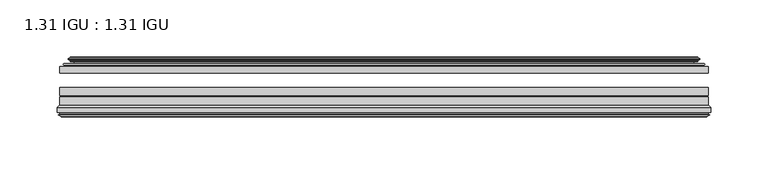
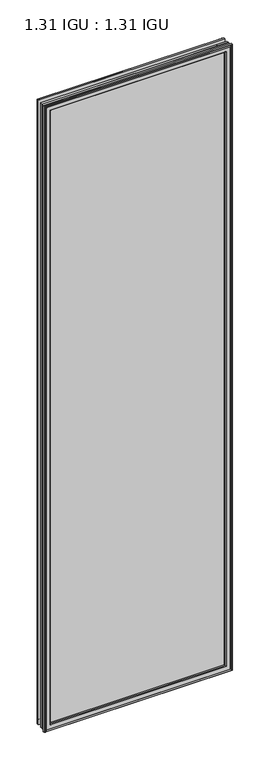
"""IFC4 building model written with IfcOpenShell, lengths in millimetres: plate geometry, 1.31 IGU : 1.31 IGU."""

from ifc_helpers import new_model, si_unit, frame, origin, place, context, project, spatial, polyline, ellipse_curve, outline, extrude, source, transform, mapped, element, save
from ifc_brep_helpers import plane_surface, cylinder_surface, revolved_surface, advanced_brep


def plate_1_31_igu_1_31_igu_118cedd7(model_context):
    return source(origin(), model_context, "Body", "SolidModel", [
        extrude(outline(polyline([(284.1575649, -44.8960875), (284.1575649, -50.4332875), (-284.1625, -50.4332875), (-284.1625, -44.8960875), (284.1575649, -44.8960875)])), frame((0.0, 0.0, -14.2875), z_axis=(0.0, 0.0, 1.0), x_axis=(1.0, 0.0, 0.0)), (0.0, 0.0, 1.0), 2009.67848),
        extrude(outline(polyline([(-284.1625, -78.7796875), (-284.1625, -71.7692875), (284.1575649, -71.7692875), (284.1575649, -78.7796875), (-284.1625, -78.7796875)])), frame((0.0, 0.0, -14.2875), z_axis=(0.0, 0.0, 1.0), x_axis=(1.0, 0.0, 0.0)), (0.0, 0.0, 1.0), 2009.67848),
        extrude(outline(polyline([(-284.1625, -70.2452875), (-284.1625, -63.1332875), (284.1575649, -63.1332875), (284.1575649, -70.2452875), (-284.1625, -70.2452875)])), frame((0.0, 0.0, -14.2875), z_axis=(0.0, 0.0, 1.0), x_axis=(1.0, 0.0, 0.0)), (0.0, 0.0, 1.0), 2009.67848),
        advanced_brep(
        [(-274.8171755, -37.7373382, 1986.0456555), (-269.8755426, -36.3108875, 1981.1040226), (-269.8755426, -36.3108875, -0.0005426), (-274.8171755, -37.7373382, -4.9421755), (-274.6520702, -36.9605789, 1985.8805502), (-274.6520702, -36.9605789, -4.7770702), (-275.2475559, -36.4771203, 1986.4760359), (-275.2475559, -36.4771203, -5.3725559), (-276.5121917, -37.766076, 1987.7406717), (-276.5121917, -37.766076, -6.6371917), (-276.5013749, -38.8797852, 1987.7298549), (-276.5013749, -38.8797852, -6.6263749), (-275.2198897, -40.1361433, 1986.4483697), (-275.2198897, -40.1361433, -5.3448897), (-274.6148829, -39.649943, 1985.8433629), (-274.6148829, -39.649943, -4.7398829), (-275.1688972, -39.0959287, 1986.3973772), (-275.1688972, -39.0959287, -5.2938972), (-272.8830887, -38.7029881, 1984.1115687), (-272.8830887, -38.7029881, -3.0080887), (-271.4240157, -40.2107282, 1982.6524957), (-271.4240157, -40.2107282, -1.5490157), (-271.7205976, -41.651269, 1982.9490776), (-271.7205976, -41.651269, -1.8455976), (-272.4918221, -42.2798875, 1983.7203021), (-272.4918221, -42.2798875, -2.6168221), (-280.7957984, -43.4871542, 1992.0242784), (-280.5205969, -42.2798875, 1991.7490769), (-280.5205969, -42.2798875, -10.6455969), (-280.7957984, -43.4871542, -10.9207984), (-277.3382297, -44.8960875, 1988.5667097), (-277.3382297, -44.8960875, -7.4632297), (-266.2406059, -44.023302, 1977.4690859), (-266.5959439, -44.8960875, 1977.8244239), (-266.5959439, -44.8960875, 3.2790561), (-266.2406059, -44.023302, 3.6343941), (-266.911804, -43.3681812, 1978.140284), (-266.911804, -43.3681812, 2.963196), (-268.5525946, -40.6686056, 1979.7810746), (-268.5525946, -40.6686056, 1.3224054), (269.8755426, -36.3108875, -0.0005426), (274.8171755, -37.7373382, -4.9421755), (274.6520702, -36.9605789, -4.7770702), (275.2475559, -36.4771203, -5.3725559), (276.5121917, -37.766076, -6.6371917), (276.5013749, -38.8797852, -6.6263749), (275.2198897, -40.1361433, -5.3448897), (274.6148829, -39.649943, -4.7398829), (275.1688972, -39.0959287, -5.2938972), (272.8830887, -38.7029881, -3.0080887), (271.4240157, -40.2107282, -1.5490157), (271.7205976, -41.651269, -1.8455976), (272.4918221, -42.2798875, -2.6168221), (280.5205969, -42.2798875, -10.6455969), (280.7957984, -43.4871542, -10.9207984), (277.3382297, -44.8960875, -7.4632297), (266.5959439, -44.8960875, 3.2790561), (266.2406059, -44.023302, 3.6343941), (266.911804, -43.3681812, 2.963196), (268.5525946, -40.6686056, 1.3224054), (269.8755426, -36.3108875, 1981.1040226), (274.8171755, -37.7373382, 1986.0456555), (274.6520702, -36.9605789, 1985.8805502), (275.2475559, -36.4771203, 1986.4760359), (276.5121917, -37.766076, 1987.7406717), (276.5013749, -38.8797852, 1987.7298549), (275.2198897, -40.1361433, 1986.4483697), (274.6148829, -39.649943, 1985.8433629), (275.1688972, -39.0959287, 1986.3973772), (272.8830887, -38.7029881, 1984.1115687), (271.4240157, -40.2107282, 1982.6524957), (271.7205976, -41.651269, 1982.9490776), (272.4918221, -42.2798875, 1983.7203021), (280.5205969, -42.2798875, 1991.7490769), (280.7957984, -43.4871542, 1992.0242784), (277.3382297, -44.8960875, 1988.5667097), (266.5959439, -44.8960875, 1977.8244239), (266.2406059, -44.023302, 1977.4690859), (266.911804, -43.3681812, 1978.140284), (268.5525946, -40.6686056, 1979.7810746)],
        [
            (0, 1),
            (1, 2),
            (2, 3),
            (3, 0),
            (4, 0),
            (3, 5),
            (5, 4),
            (6, 4, ellipse_curve(frame((-274.9725871, -36.746901, 1986.2010671), z_axis=(-0.7071067811865475, 0.0, -0.7071067811865475), x_axis=(-0.7071067811865474, 0.0, 0.7071067811865476)), 0.5447741, 0.3852135)),
            (5, 7, ellipse_curve(frame((-274.9725871, -36.746901, -5.0975871), z_axis=(-0.7071067811865475, 0.0, 0.7071067811865475), x_axis=(0.7071067811865474, 0.0, 0.7071067811865476)), 0.5447741, 0.3852135)),
            (7, 6),
            (8, 6),
            (7, 9),
            (9, 8),
            (10, 8, ellipse_curve(frame((-275.9501387, -38.3175243, 1987.1786187), z_axis=(-0.7071067811865475, 0.0, -0.7071067811865475), x_axis=(-0.7071067811865474, 0.0, 0.7071067811865476)), 1.1135518, 0.7874)),
            (9, 11, ellipse_curve(frame((-275.9501387, -38.3175243, -6.0751387), z_axis=(-0.7071067811865475, 0.0, 0.7071067811865475), x_axis=(0.7071067811865474, 0.0, 0.7071067811865476)), 1.1135518, 0.7874)),
            (11, 10),
            (12, 10),
            (11, 13),
            (13, 12),
            (14, 12, ellipse_curve(frame((-274.9462922, -39.8570738, 1986.1747722), z_axis=(-0.7071067811865475, 0.0, -0.7071067811865475), x_axis=(-0.7071067811865474, 0.0, 0.7071067811865476)), 0.552694, 0.3908137)),
            (13, 15, ellipse_curve(frame((-274.9462922, -39.8570738, -5.0712922), z_axis=(-0.7071067811865475, 0.0, 0.7071067811865475), x_axis=(0.7071067811865474, 0.0, 0.7071067811865476)), 0.552694, 0.3908137)),
            (15, 14),
            (16, 14),
            (15, 17),
            (17, 16),
            (18, 16),
            (17, 19),
            (19, 18),
            (20, 18, ellipse_curve(frame((-272.6679261, -39.954629, 1983.8964061), z_axis=(0.7071067811865475, 0.0, 0.7071067811865475), x_axis=(0.7071067811865474, 0.0, -0.7071067811865476)), 1.7960512, 1.27)),
            (19, 21, ellipse_curve(frame((-272.6679261, -39.954629, -2.7929261), z_axis=(0.7071067811865475, 0.0, -0.7071067811865475), x_axis=(-0.7071067811865474, 0.0, -0.7071067811865476)), 1.7960512, 1.27)),
            (21, 20),
            (22, 20),
            (21, 23),
            (23, 22),
            (24, 22, ellipse_curve(frame((-272.4918221, -41.4924875, 1983.7203021), z_axis=(0.7071067811865475, 0.0, 0.7071067811865475), x_axis=(0.7071067811865474, 0.0, -0.7071067811865476)), 1.1135518, 0.7874)),
            (23, 25, ellipse_curve(frame((-272.4918221, -41.4924875, -2.6168221), z_axis=(0.7071067811865475, 0.0, -0.7071067811865475), x_axis=(-0.7071067811865474, 0.0, -0.7071067811865476)), 1.1135518, 0.7874)),
            (25, 24),
            (26, 27, ellipse_curve(frame((-280.5205969, -42.9148875, 1991.7490769), z_axis=(-0.7071067811865475, 0.0, -0.7071067811865475), x_axis=(-0.7071067811865474, 0.0, 0.7071067811865476)), 0.8980256, 0.635)),
            (27, 28),
            (28, 29, ellipse_curve(frame((-280.5205969, -42.9148875, -10.6455969), z_axis=(-0.7071067811865475, 0.0, 0.7071067811865475), x_axis=(0.7071067811865474, 0.0, 0.7071067811865476)), 0.8980256, 0.635)),
            (29, 26),
            (30, 26),
            (29, 31),
            (31, 30),
            (32, 33, ellipse_curve(frame((-266.5959439, -44.3873602, 1977.8244239), z_axis=(-0.7071067811865475, 0.0, -0.7071067811865475), x_axis=(-0.7071067811865474, 0.0, 0.7071067811865476)), 0.719449, 0.5087273)),
            (33, 34),
            (34, 35, ellipse_curve(frame((-266.5959439, -44.3873602, 3.2790561), z_axis=(-0.7071067811865475, 0.0, 0.7071067811865475), x_axis=(0.7071067811865474, 0.0, 0.7071067811865476)), 0.719449, 0.5087273)),
            (35, 32),
            (36, 32),
            (35, 37),
            (37, 36),
            (38, 36, ellipse_curve(frame((-262.4764298, -38.823959, 1973.7049098), z_axis=(0.7071067811865475, 0.0, 0.7071067811865475), x_axis=(0.7071067811865474, 0.0, -0.7071067811865476)), 8.9802561, 6.35)),
            (37, 39, ellipse_curve(frame((-262.4764298, -38.823959, 7.3985702), z_axis=(0.7071067811865475, 0.0, -0.7071067811865475), x_axis=(-0.7071067811865474, 0.0, -0.7071067811865476)), 8.9802561, 6.35)),
            (39, 38),
            (1, 38),
            (39, 2),
            (2, 40),
            (40, 41),
            (41, 3),
            (41, 42),
            (42, 5),
            (42, 43, ellipse_curve(frame((274.9725871, -36.746901, -5.0975871), z_axis=(-0.7071067811865475, 0.0, -0.7071067811865475), x_axis=(-0.7071067811865476, 0.0, 0.7071067811865474)), 0.5447741, 0.3852135)),
            (43, 7),
            (43, 44),
            (44, 9),
            (44, 45, ellipse_curve(frame((275.9501387, -38.3175243, -6.0751387), z_axis=(-0.7071067811865475, 0.0, -0.7071067811865475), x_axis=(-0.7071067811865476, 0.0, 0.7071067811865474)), 1.1135518, 0.7874)),
            (45, 11),
            (45, 46),
            (46, 13),
            (46, 47, ellipse_curve(frame((274.9462922, -39.8570738, -5.0712922), z_axis=(-0.7071067811865475, 0.0, -0.7071067811865475), x_axis=(-0.7071067811865476, 0.0, 0.7071067811865474)), 0.552694, 0.3908137)),
            (47, 15),
            (47, 48),
            (48, 17),
            (48, 49),
            (49, 19),
            (49, 50, ellipse_curve(frame((272.6679261, -39.954629, -2.7929261), z_axis=(0.7071067811865475, 0.0, 0.7071067811865475), x_axis=(0.7071067811865476, 0.0, -0.7071067811865474)), 1.7960512, 1.27)),
            (50, 21),
            (50, 51),
            (51, 23),
            (51, 52, ellipse_curve(frame((272.4918221, -41.4924875, -2.6168221), z_axis=(0.7071067811865475, 0.0, 0.7071067811865475), x_axis=(0.7071067811865476, 0.0, -0.7071067811865474)), 1.1135518, 0.7874)),
            (52, 25),
            (28, 53),
            (53, 54, ellipse_curve(frame((280.5205969, -42.9148875, -10.6455969), z_axis=(-0.7071067811865475, 0.0, -0.7071067811865475), x_axis=(-0.7071067811865476, 0.0, 0.7071067811865474)), 0.8980256, 0.635)),
            (54, 29),
            (54, 55),
            (55, 31),
            (34, 56),
            (56, 57, ellipse_curve(frame((266.5959439, -44.3873602, 3.2790561), z_axis=(-0.7071067811865475, 0.0, -0.7071067811865475), x_axis=(-0.7071067811865476, 0.0, 0.7071067811865474)), 0.719449, 0.5087273)),
            (57, 35),
            (57, 58),
            (58, 37),
            (58, 59, ellipse_curve(frame((262.4764298, -38.823959, 7.3985702), z_axis=(0.7071067811865475, 0.0, 0.7071067811865475), x_axis=(0.7071067811865476, 0.0, -0.7071067811865474)), 8.9802561, 6.35)),
            (59, 39),
            (59, 40),
            (40, 60),
            (60, 61),
            (61, 41),
            (61, 62),
            (62, 42),
            (62, 63, ellipse_curve(frame((274.9725871, -36.746901, 1986.2010671), z_axis=(0.7071067811865475, 0.0, -0.7071067811865475), x_axis=(-0.7071067811865474, 0.0, -0.7071067811865476)), 0.5447741, 0.3852135)),
            (63, 43),
            (63, 64),
            (64, 44),
            (64, 65, ellipse_curve(frame((275.9501387, -38.3175243, 1987.1786187), z_axis=(0.7071067811865475, 0.0, -0.7071067811865475), x_axis=(-0.7071067811865474, 0.0, -0.7071067811865476)), 1.1135518, 0.7874)),
            (65, 45),
            (65, 66),
            (66, 46),
            (66, 67, ellipse_curve(frame((274.9462922, -39.8570738, 1986.1747722), z_axis=(0.7071067811865475, 0.0, -0.7071067811865475), x_axis=(-0.7071067811865474, 0.0, -0.7071067811865476)), 0.552694, 0.3908137)),
            (67, 47),
            (67, 68),
            (68, 48),
            (68, 69),
            (69, 49),
            (69, 70, ellipse_curve(frame((272.6679261, -39.954629, 1983.8964061), z_axis=(-0.7071067811865475, 0.0, 0.7071067811865475), x_axis=(0.7071067811865474, 0.0, 0.7071067811865476)), 1.7960512, 1.27)),
            (70, 50),
            (70, 71),
            (71, 51),
            (71, 72, ellipse_curve(frame((272.4918221, -41.4924875, 1983.7203021), z_axis=(-0.7071067811865475, 0.0, 0.7071067811865475), x_axis=(0.7071067811865474, 0.0, 0.7071067811865476)), 1.1135518, 0.7874)),
            (72, 52),
            (53, 73),
            (73, 74, ellipse_curve(frame((280.5205969, -42.9148875, 1991.7490769), z_axis=(0.7071067811865475, 0.0, -0.7071067811865475), x_axis=(-0.7071067811865474, 0.0, -0.7071067811865476)), 0.8980256, 0.635)),
            (74, 54),
            (74, 75),
            (75, 55),
            (56, 76),
            (76, 77, ellipse_curve(frame((266.5959439, -44.3873602, 1977.8244239), z_axis=(0.7071067811865475, 0.0, -0.7071067811865475), x_axis=(-0.7071067811865474, 0.0, -0.7071067811865476)), 0.719449, 0.5087273)),
            (77, 57),
            (77, 78),
            (78, 58),
            (78, 79, ellipse_curve(frame((262.4764298, -38.823959, 1973.7049098), z_axis=(-0.7071067811865475, 0.0, 0.7071067811865475), x_axis=(0.7071067811865474, 0.0, 0.7071067811865476)), 8.9802561, 6.35)),
            (79, 59),
            (79, 60),
            (60, 1),
            (0, 61),
            (4, 62),
            (6, 63),
            (8, 64),
            (10, 65),
            (12, 66),
            (14, 67),
            (16, 68),
            (18, 69),
            (20, 70),
            (22, 71),
            (24, 72),
            (27, 73),
            (26, 74),
            (30, 75),
            (33, 76),
            (32, 77),
            (36, 78),
            (38, 79),
        ],
        [
            plane_surface(frame((-269.8755426, -36.3108875, 1981.1040226), z_axis=(-0.2773364928492854, 0.9607728502273877, 0.0), x_axis=(0.0, 0.0, -1.0))),
            plane_surface(frame((-274.8171755, -37.7373382, 1986.0456555), z_axis=(0.9781476007338358, -0.20791169081761773, 0.0), x_axis=(0.0, 0.0, -1.0))),
            cylinder_surface(frame((-274.9725871, -36.746901, 2012.85348), z_axis=(0.0, 0.0, 1.0), x_axis=(-1.0, 0.0, 0.0)), 0.3852135),
            plane_surface(frame((-275.2475559, -36.4771203, 1986.4760359), z_axis=(-0.7138087599382162, 0.7003406701280929, 0.0), x_axis=(0.0, 0.0, -1.0))),
            cylinder_surface(frame((-275.9501387, -38.3175243, 2012.85348), z_axis=(0.0, 0.0, 1.0), x_axis=(-1.0, 0.0, 0.0)), 0.7874),
            plane_surface(frame((-276.5013749, -38.8797852, 1987.7298549), z_axis=(-0.7000714109283733, -0.7140728391423082, 0.0), x_axis=(0.0, 0.0, -1.0))),
            cylinder_surface(frame((-274.9462922, -39.8570738, 2012.85348), z_axis=(0.0, 0.0, 1.0), x_axis=(-1.0, 0.0, 0.0)), 0.3908137),
            plane_surface(frame((-274.6148829, -39.649943, 1985.8433629), z_axis=(0.7071067811861126, 0.7071067811869826, 0.0), x_axis=(0.0, 0.0, -1.0))),
            plane_surface(frame((-275.1688972, -39.0959287, 1986.3973772), z_axis=(0.1694194067101148, -0.9855440449974789, 0.0), x_axis=(0.0, 0.0, -1.0))),
            revolved_surface(polyline([(-273.93792609999997, -39.954629, -4.062926082878221), (-273.93792609999997, -39.954629, 1985.1664060828782)]), (-272.6679261, -39.954629, 2012.85348), (0.0, 0.0, -1.0)),
            plane_surface(frame((-271.4240157, -40.2107282, 1982.6524957), z_axis=(-0.9794570432566897, 0.20165292067030202, 0.0), x_axis=(0.0, 0.0, -1.0))),
            revolved_surface(polyline([(-273.27922209999997, -41.4924875, -3.4042221289826102), (-273.27922209999997, -41.4924875, 1984.5077021289826)]), (-272.4918221, -41.4924875, 2012.85348), (0.0, 0.0, -1.0)),
            cylinder_surface(frame((-280.5205969, -42.9148875, 2012.85348), z_axis=(0.0, 0.0, 1.0), x_axis=(-1.0, 0.0, 0.0)), 0.635),
            plane_surface(frame((-280.7957984, -43.4871542, 1992.0242784), z_axis=(-0.37736447542757934, -0.9260648209954139, 0.0), x_axis=(0.0, 0.0, -1.0))),
            cylinder_surface(frame((-266.5959439, -44.3873602, 2012.85348), z_axis=(0.0, 0.0, 1.0), x_axis=(-1.0, 0.0, 0.0)), 0.5087273),
            plane_surface(frame((-266.2406059, -44.023302, 1977.4690859), z_axis=(0.698484125849927, 0.7156255486884628, 0.0), x_axis=(0.0, 0.0, -1.0))),
            revolved_surface(polyline([(-268.8264298, -38.823959, 1.0485702148980636), (-268.8264298, -38.823959, 1980.054909785102)]), (-262.4764298, -38.823959, 2012.85348), (0.0, 0.0, -1.0)),
            plane_surface(frame((-268.5525946, -40.6686056, 1979.7810746), z_axis=(0.956876347351701, 0.2904955350411895, 0.0), x_axis=(0.0, 0.0, -1.0))),
            plane_surface(frame((-269.8755426, -36.3108875, -0.0005426), z_axis=(0.0, 0.9607728502273868, -0.2773364928492885), x_axis=(1.0, 0.0, 0.0))),
            plane_surface(frame((-274.8171755, -37.7373382, -4.9421755), z_axis=(0.0, -0.20791169081761454, 0.9781476007338364), x_axis=(1.0, 0.0, 0.0))),
            cylinder_surface(frame((-301.625, -36.746901, -5.0975871), z_axis=(-1.0, 0.0, 0.0), x_axis=(0.0, 0.0, -1.0)), 0.3852135),
            plane_surface(frame((-275.2475559, -36.4771203, -5.3725559), z_axis=(0.0, 0.7003406701280904, -0.7138087599382185), x_axis=(1.0, 0.0, 0.0))),
            cylinder_surface(frame((-301.625, -38.3175243, -6.0751387), z_axis=(-1.0, 0.0, 0.0), x_axis=(0.0, 0.0, -1.0)), 0.7874),
            plane_surface(frame((-276.5013749, -38.8797852, -6.6263749), z_axis=(0.0, -0.7140728391423106, -0.700071410928371), x_axis=(1.0, 0.0, 0.0))),
            cylinder_surface(frame((-301.625, -39.8570738, -5.0712922), z_axis=(-1.0, 0.0, 0.0), x_axis=(0.0, 0.0, -1.0)), 0.3908137),
            plane_surface(frame((-274.6148829, -39.649943, -4.7398829), z_axis=(0.0, 0.7071067811869849, 0.7071067811861103), x_axis=(1.0, 0.0, 0.0))),
            plane_surface(frame((-275.1688972, -39.0959287, -5.2938972), z_axis=(0.0, -0.9855440449974784, 0.16941940671011801), x_axis=(1.0, 0.0, 0.0))),
            revolved_surface(polyline([(273.9379260828782, -39.954629, -4.0629261), (-273.9379260828782, -39.954629, -4.0629261)]), (-301.625, -39.954629, -2.7929261), (1.0, 0.0, 0.0)),
            plane_surface(frame((-271.4240157, -40.2107282, -1.5490157), z_axis=(0.0, 0.20165292067029883, -0.9794570432566904), x_axis=(1.0, 0.0, 0.0))),
            revolved_surface(polyline([(273.2792221289825, -41.4924875, -3.4042220999999997), (-273.27922212898244, -41.4924875, -3.4042220999999997)]), (-301.625, -41.4924875, -2.6168221), (1.0, 0.0, 0.0)),
            cylinder_surface(frame((-301.625, -42.9148875, -10.6455969), z_axis=(-1.0, 0.0, 0.0), x_axis=(0.0, 0.0, -1.0)), 0.635),
            plane_surface(frame((-280.7957984, -43.4871542, -10.9207984), z_axis=(0.0, -0.9260648209954151, -0.37736447542757634), x_axis=(1.0, 0.0, 0.0))),
            cylinder_surface(frame((-301.625, -44.3873602, 3.2790561), z_axis=(-1.0, 0.0, 0.0), x_axis=(0.0, 0.0, -1.0)), 0.5087273),
            plane_surface(frame((-266.2406059, -44.023302, 3.6343941), z_axis=(0.0, 0.7156255486884651, 0.6984841258499247), x_axis=(1.0, 0.0, 0.0))),
            revolved_surface(polyline([(268.8264297851018, -38.823959, 1.0485702000000003), (-268.8264297851019, -38.823959, 1.0485702000000003)]), (-301.625, -38.823959, 7.3985702), (1.0, 0.0, 0.0)),
            plane_surface(frame((-268.5525946, -40.6686056, 1.3224054), z_axis=(0.0, 0.29049553504119263, 0.9568763473517), x_axis=(1.0, 0.0, 0.0))),
            plane_surface(frame((269.8755426, -36.3108875, -0.0005426), z_axis=(0.2773364928492916, 0.9607728502273859, 0.0), x_axis=(0.0, 0.0, 1.0))),
            plane_surface(frame((274.8171755, -37.7373382, -4.9421755), z_axis=(-0.9781476007338371, -0.20791169081761135, 0.0), x_axis=(0.0, 0.0, 1.0))),
            cylinder_surface(frame((274.9725871, -36.746901, -31.75), z_axis=(0.0, 0.0, -1.0), x_axis=(1.0, 0.0, 0.0)), 0.3852135),
            plane_surface(frame((275.2475559, -36.4771203, -5.3725559), z_axis=(0.7138087599382208, 0.7003406701280881, 0.0), x_axis=(0.0, 0.0, 1.0))),
            cylinder_surface(frame((275.9501387, -38.3175243, -31.75), z_axis=(0.0, 0.0, -1.0), x_axis=(1.0, 0.0, 0.0)), 0.7874),
            plane_surface(frame((276.5013749, -38.8797852, -6.6263749), z_axis=(0.7000714109283687, -0.7140728391423129, 0.0), x_axis=(0.0, 0.0, 1.0))),
            cylinder_surface(frame((274.9462922, -39.8570738, -31.75), z_axis=(0.0, 0.0, -1.0), x_axis=(1.0, 0.0, 0.0)), 0.3908137),
            plane_surface(frame((274.6148829, -39.649943, -4.7398829), z_axis=(-0.7071067811861079, 0.7071067811869872, 0.0), x_axis=(0.0, 0.0, 1.0))),
            plane_surface(frame((275.1688972, -39.0959287, -5.2938972), z_axis=(-0.16941940671012123, -0.9855440449974778, 0.0), x_axis=(0.0, 0.0, 1.0))),
            revolved_surface(polyline([(273.93792609999997, -39.954629, 1985.1664060828782), (273.93792609999997, -39.954629, -4.062926082878235)]), (272.6679261, -39.954629, -31.75), (0.0, 0.0, 1.0)),
            plane_surface(frame((271.4240157, -40.2107282, -1.5490157), z_axis=(0.979457043256691, 0.20165292067029564, 0.0), x_axis=(0.0, 0.0, 1.0))),
            revolved_surface(polyline([(273.27922209999997, -41.4924875, 1984.5077021289826), (273.27922209999997, -41.4924875, -3.404222128982486)]), (272.4918221, -41.4924875, -31.75), (0.0, 0.0, 1.0)),
            cylinder_surface(frame((280.5205969, -42.9148875, -31.75), z_axis=(0.0, 0.0, -1.0), x_axis=(1.0, 0.0, 0.0)), 0.635),
            plane_surface(frame((280.7957984, -43.4871542, -10.9207984), z_axis=(0.37736447542757334, -0.9260648209954163, 0.0), x_axis=(0.0, 0.0, 1.0))),
            cylinder_surface(frame((266.5959439, -44.3873602, -31.75), z_axis=(0.0, 0.0, -1.0), x_axis=(1.0, 0.0, 0.0)), 0.5087273),
            plane_surface(frame((266.2406059, -44.023302, 3.6343941), z_axis=(-0.6984841258499224, 0.7156255486884673, 0.0), x_axis=(0.0, 0.0, 1.0))),
            revolved_surface(polyline([(268.8264298, -38.823959, 1980.054909785102), (268.8264298, -38.823959, 1.0485702148981417)]), (262.4764298, -38.823959, -31.75), (0.0, 0.0, 1.0)),
            plane_surface(frame((268.5525946, -40.6686056, 1.3224054), z_axis=(-0.9568763473516991, 0.2904955350411958, 0.0), x_axis=(0.0, 0.0, 1.0))),
            plane_surface(frame((269.8755426, -36.3108875, 1981.1040226), z_axis=(0.0, 0.9607728502273868, 0.2773364928492885), x_axis=(-1.0, 0.0, 0.0))),
            plane_surface(frame((274.8171755, -37.7373382, 1986.0456555), z_axis=(0.0, -0.20791169081761454, -0.9781476007338364), x_axis=(-1.0, 0.0, 0.0))),
            cylinder_surface(frame((301.625, -36.746901, 1986.2010671), z_axis=(1.0, 0.0, 0.0), x_axis=(0.0, 0.0, 1.0)), 0.3852135),
            plane_surface(frame((275.2475559, -36.4771203, 1986.4760359), z_axis=(0.0, 0.7003406701280904, 0.7138087599382185), x_axis=(-1.0, 0.0, 0.0))),
            cylinder_surface(frame((301.625, -38.3175243, 1987.1786187), z_axis=(1.0, 0.0, 0.0), x_axis=(0.0, 0.0, 1.0)), 0.7874),
            plane_surface(frame((276.5013749, -38.8797852, 1987.7298549), z_axis=(0.0, -0.7140728391423106, 0.700071410928371), x_axis=(-1.0, 0.0, 0.0))),
            cylinder_surface(frame((301.625, -39.8570738, 1986.1747722), z_axis=(1.0, 0.0, 0.0), x_axis=(0.0, 0.0, 1.0)), 0.3908137),
            plane_surface(frame((274.6148829, -39.649943, 1985.8433629), z_axis=(0.0, 0.7071067811869849, -0.7071067811861103), x_axis=(-1.0, 0.0, 0.0))),
            plane_surface(frame((275.1688972, -39.0959287, 1986.3973772), z_axis=(0.0, -0.9855440449974784, -0.16941940671011801), x_axis=(-1.0, 0.0, 0.0))),
            revolved_surface(polyline([(-273.9379260828782, -39.954629, 1985.1664061), (273.9379260828782, -39.954629, 1985.1664061)]), (301.625, -39.954629, 1983.8964061), (-1.0, 0.0, 0.0)),
            plane_surface(frame((271.4240157, -40.2107282, 1982.6524957), z_axis=(0.0, 0.20165292067029883, 0.9794570432566904), x_axis=(-1.0, 0.0, 0.0))),
            revolved_surface(polyline([(-273.2792221289825, -41.4924875, 1984.5077021), (273.27922212898244, -41.4924875, 1984.5077021)]), (301.625, -41.4924875, 1983.7203021), (-1.0, 0.0, 0.0)),
            plane_surface(frame((272.4918221, -42.2798875, 1983.7203021), z_axis=(0.0, 1.0, 0.0), x_axis=(-1.0, 0.0, 0.0))),
            cylinder_surface(frame((301.625, -42.9148875, 1991.7490769), z_axis=(1.0, 0.0, 0.0), x_axis=(0.0, 0.0, 1.0)), 0.635),
            plane_surface(frame((280.7957984, -43.4871542, 1992.0242784), z_axis=(0.0, -0.9260648209954151, 0.37736447542757634), x_axis=(-1.0, 0.0, 0.0))),
            plane_surface(frame((277.3382297, -44.8960875, 1988.5667097), z_axis=(0.0, -1.0, 0.0), x_axis=(-1.0, 0.0, 0.0))),
            cylinder_surface(frame((301.625, -44.3873602, 1977.8244239), z_axis=(1.0, 0.0, 0.0), x_axis=(0.0, 0.0, 1.0)), 0.5087273),
            plane_surface(frame((266.2406059, -44.023302, 1977.4690859), z_axis=(0.0, 0.7156255486884651, -0.6984841258499247), x_axis=(-1.0, 0.0, 0.0))),
            revolved_surface(polyline([(-268.8264297851018, -38.823959, 1980.0549098), (268.8264297851019, -38.823959, 1980.0549098)]), (301.625, -38.823959, 1973.7049098), (-1.0, 0.0, 0.0)),
            plane_surface(frame((268.5525946, -40.6686056, 1979.7810746), z_axis=(0.0, 0.2904955350411927, -0.9568763473517001), x_axis=(-1.0, 0.0, 0.0))),
        ],
        [
            (0, [[1, 2, 3, 4]]),
            (1, [[5, -4, 6, 7]]),
            (2, [[8, -7, 9, 10]]),
            (3, [[11, -10, 12, 13]]),
            (4, [[14, -13, 15, 16]]),
            (5, [[17, -16, 18, 19]]),
            (6, [[20, -19, 21, 22]]),
            (7, [[23, -22, 24, 25]]),
            (8, [[26, -25, 27, 28]]),
            (9, [[29, -28, 30, 31]]),
            (10, [[32, -31, 33, 34]]),
            (11, [[35, -34, 36, 37]]),
            (12, [[38, 39, 40, 41]]),
            (13, [[42, -41, 43, 44]]),
            (14, [[45, 46, 47, 48]]),
            (15, [[49, -48, 50, 51]]),
            (16, [[52, -51, 53, 54]]),
            (17, [[55, -54, 56, -2]]),
            (18, [[-3, 57, 58, 59]]),
            (19, [[-6, -59, 60, 61]]),
            (20, [[-9, -61, 62, 63]]),
            (21, [[-12, -63, 64, 65]]),
            (22, [[-15, -65, 66, 67]]),
            (23, [[-18, -67, 68, 69]]),
            (24, [[-21, -69, 70, 71]]),
            (25, [[-24, -71, 72, 73]]),
            (26, [[-27, -73, 74, 75]]),
            (27, [[-30, -75, 76, 77]]),
            (28, [[-33, -77, 78, 79]]),
            (29, [[-36, -79, 80, 81]]),
            (30, [[-40, 82, 83, 84]]),
            (31, [[-43, -84, 85, 86]]),
            (32, [[-47, 87, 88, 89]]),
            (33, [[-50, -89, 90, 91]]),
            (34, [[-53, -91, 92, 93]]),
            (35, [[-56, -93, 94, -57]]),
            (36, [[-58, 95, 96, 97]]),
            (37, [[-60, -97, 98, 99]]),
            (38, [[-62, -99, 100, 101]]),
            (39, [[-64, -101, 102, 103]]),
            (40, [[-66, -103, 104, 105]]),
            (41, [[-68, -105, 106, 107]]),
            (42, [[-70, -107, 108, 109]]),
            (43, [[-72, -109, 110, 111]]),
            (44, [[-74, -111, 112, 113]]),
            (45, [[-76, -113, 114, 115]]),
            (46, [[-78, -115, 116, 117]]),
            (47, [[-80, -117, 118, 119]]),
            (48, [[-83, 120, 121, 122]]),
            (49, [[-85, -122, 123, 124]]),
            (50, [[-88, 125, 126, 127]]),
            (51, [[-90, -127, 128, 129]]),
            (52, [[-92, -129, 130, 131]]),
            (53, [[-94, -131, 132, -95]]),
            (54, [[-96, 133, -1, 134]]),
            (55, [[-98, -134, -5, 135]]),
            (56, [[-100, -135, -8, 136]]),
            (57, [[-102, -136, -11, 137]]),
            (58, [[-104, -137, -14, 138]]),
            (59, [[-106, -138, -17, 139]]),
            (60, [[-108, -139, -20, 140]]),
            (61, [[-110, -140, -23, 141]]),
            (62, [[-112, -141, -26, 142]]),
            (63, [[-114, -142, -29, 143]]),
            (64, [[-116, -143, -32, 144]]),
            (65, [[-118, -144, -35, 145]]),
            (66, [[146, -120, -82, -39], [-81, -119, -145, -37]]),
            (67, [[-121, -146, -38, 147]]),
            (68, [[-123, -147, -42, 148]]),
            (69, [[-86, -124, -148, -44], [149, -125, -87, -46]]),
            (70, [[-126, -149, -45, 150]]),
            (71, [[-128, -150, -49, 151]]),
            (72, [[-130, -151, -52, 152]]),
            (73, [[-132, -152, -55, -133]]),
        ],
    ),
        advanced_brep(
        [(-267.1874494, -83.3389875, 1978.4159294), (-268.9625155, -85.1296875, 1980.1909955), (-268.9625155, -85.1296875, 0.9124845), (-267.1874494, -83.3389875, 2.6875506), (-266.1642401, -78.7796875, 1977.3927201), (-266.1642401, -78.7796875, 3.7107599), (-286.7449491, -80.9740477, 1997.9734291), (-284.5505889, -78.7796875, 1995.7790689), (-284.5505889, -78.7796875, -14.6755889), (-286.7449491, -80.9740477, -16.8699491), (-286.7449491, -85.1296875, 1997.9734291), (-286.7449491, -85.1296875, -16.8699491), (-284.2198889, -86.3747112, 1995.4483689), (-284.9711159, -85.1296875, 1996.1995959), (-284.9711159, -85.1296875, -15.0961159), (-284.2198889, -86.3747112, -14.3448889), (-283.9103598, -87.6502863, 1995.1388398), (-283.9103598, -87.6502863, -14.0353598), (-284.9284732, -87.2076396, 1996.1569532), (-284.9284732, -87.2076396, -15.0534732), (-283.2414838, -88.8840626, 1994.4699638), (-285.7231832, -87.2076396, 1996.9516632), (-285.7231832, -87.2076396, -15.8481832), (-283.2414838, -88.8840626, -13.3664838), (-281.0896584, -86.9401656, 1992.3181384), (-281.0896584, -86.9401656, -11.2146584), (-282.7970126, -87.5528811, 1994.0254926), (-281.8712314, -86.9401656, 1993.0997114), (-281.8712314, -86.9401656, -11.9962314), (-282.7970126, -87.5528811, -12.9220126), (-282.7136873, -86.2429356, 1993.9421673), (-282.7136873, -86.2429356, -12.8386873), (-282.1154492, -85.1296875, 1993.3439292), (-282.1154492, -85.1296875, -12.2404492), (268.9625155, -85.1296875, 0.9124845), (267.1874494, -83.3389875, 2.6875506), (266.1642401, -78.7796875, 3.7107599), (284.5505889, -78.7796875, -14.6755889), (286.7449491, -80.9740477, -16.8699491), (286.7449491, -85.1296875, -16.8699491), (284.9711159, -85.1296875, -15.0961159), (284.2198889, -86.3747112, -14.3448889), (283.9103598, -87.6502863, -14.0353598), (284.9284732, -87.2076396, -15.0534732), (285.7231832, -87.2076396, -15.8481832), (283.2414838, -88.8840626, -13.3664838), (281.0896584, -86.9401656, -11.2146584), (281.8712314, -86.9401656, -11.9962314), (282.7970126, -87.5528811, -12.9220126), (282.7136873, -86.2429356, -12.8386873), (282.1154492, -85.1296875, -12.2404492), (268.9625155, -85.1296875, 1980.1909955), (267.1874494, -83.3389875, 1978.4159294), (266.1642401, -78.7796875, 1977.3927201), (284.5505889, -78.7796875, 1995.7790689), (286.7449491, -80.9740477, 1997.9734291), (286.7449491, -85.1296875, 1997.9734291), (284.9711159, -85.1296875, 1996.1995959), (284.2198889, -86.3747112, 1995.4483689), (283.9103598, -87.6502863, 1995.1388398), (284.9284732, -87.2076396, 1996.1569532), (285.7231832, -87.2076396, 1996.9516632), (283.2414838, -88.8840626, 1994.4699638), (281.0896584, -86.9401656, 1992.3181384), (281.8712314, -86.9401656, 1993.0997114), (282.7970126, -87.5528811, 1994.0254926), (282.7136873, -86.2429356, 1993.9421673), (282.1154492, -85.1296875, 1993.3439292)],
        [
            (0, 1, ellipse_curve(frame((-269.2139505, -83.1053133, 1980.4424305), z_axis=(-0.7071067811865475, 0.0, -0.7071067811865475), x_axis=(-0.7071067811865474, 0.0, 0.7071067811865476)), 2.8848953, 2.039929)),
            (1, 2),
            (2, 3, ellipse_curve(frame((-269.2139505, -83.1053133, 0.6610495), z_axis=(-0.7071067811865475, 0.0, 0.7071067811865475), x_axis=(0.7071067811865474, 0.0, 0.7071067811865476)), 2.8848953, 2.039929)),
            (3, 0),
            (4, 0),
            (3, 5),
            (5, 4),
            (6, 7),
            (7, 8),
            (8, 9),
            (9, 6),
            (10, 6),
            (9, 11),
            (11, 10),
            (12, 13),
            (13, 14),
            (14, 15),
            (15, 12),
            (16, 12),
            (15, 17),
            (17, 16),
            (18, 16),
            (17, 19),
            (19, 18),
            (20, 21),
            (21, 22),
            (22, 23),
            (23, 20),
            (24, 20),
            (23, 25),
            (25, 24),
            (26, 27),
            (27, 28),
            (28, 29),
            (29, 26),
            (30, 26),
            (29, 31),
            (31, 30),
            (32, 30),
            (31, 33),
            (33, 32),
            (2, 34),
            (34, 35, ellipse_curve(frame((269.2139505, -83.1053133, 0.6610495), z_axis=(-0.7071067811865475, 0.0, -0.7071067811865475), x_axis=(-0.7071067811865476, 0.0, 0.7071067811865474)), 2.8848953, 2.039929)),
            (35, 3),
            (35, 36),
            (36, 5),
            (8, 37),
            (37, 38),
            (38, 9),
            (38, 39),
            (39, 11),
            (14, 40),
            (40, 41),
            (41, 15),
            (41, 42),
            (42, 17),
            (42, 43),
            (43, 19),
            (22, 44),
            (44, 45),
            (45, 23),
            (45, 46),
            (46, 25),
            (28, 47),
            (47, 48),
            (48, 29),
            (48, 49),
            (49, 31),
            (49, 50),
            (50, 33),
            (34, 51),
            (51, 52, ellipse_curve(frame((269.2139505, -83.1053133, 1980.4424305), z_axis=(0.7071067811865475, 0.0, -0.7071067811865475), x_axis=(-0.7071067811865474, 0.0, -0.7071067811865476)), 2.8848953, 2.039929)),
            (52, 35),
            (52, 53),
            (53, 36),
            (37, 54),
            (54, 55),
            (55, 38),
            (55, 56),
            (56, 39),
            (40, 57),
            (57, 58),
            (58, 41),
            (58, 59),
            (59, 42),
            (59, 60),
            (60, 43),
            (44, 61),
            (61, 62),
            (62, 45),
            (62, 63),
            (63, 46),
            (47, 64),
            (64, 65),
            (65, 48),
            (65, 66),
            (66, 49),
            (66, 67),
            (67, 50),
            (51, 1),
            (0, 52),
            (4, 53),
            (7, 54),
            (6, 55),
            (10, 56),
            (13, 57),
            (12, 58),
            (16, 59),
            (18, 60),
            (21, 61),
            (20, 62),
            (24, 63),
            (27, 64),
            (26, 65),
            (30, 66),
            (32, 67),
        ],
        [
            cylinder_surface(frame((-269.2139505, -83.1053133, 2012.85348), z_axis=(0.0, 0.0, 1.0), x_axis=(-1.0, 0.0, 0.0)), 2.039929),
            plane_surface(frame((-267.1874494, -83.3389875, 1978.4159294), z_axis=(0.9757302952562701, -0.2189757770145185, 0.0), x_axis=(0.0, 0.0, -1.0))),
            plane_surface(frame((-284.5505889, -78.7796875, 1995.7790689), z_axis=(-0.7071067811871722, 0.7071067811859229, 0.0), x_axis=(0.0, 0.0, -1.0))),
            plane_surface(frame((-286.7449491, -80.9740477, 1997.9734291), z_axis=(-1.0, 0.0, 0.0), x_axis=(0.0, 0.0, -1.0))),
            plane_surface(frame((-284.9711159, -85.1296875, 1996.1995959), z_axis=(-0.8562121193263807, -0.516624434883434, 0.0), x_axis=(0.0, 0.0, -1.0))),
            plane_surface(frame((-284.2198889, -86.3747112, 1995.4483689), z_axis=(-0.9717979666139347, -0.23581499546259121, 0.0), x_axis=(0.0, 0.0, -1.0))),
            plane_surface(frame((-283.9103598, -87.6502863, 1995.1388398), z_axis=(0.39871754517761615, 0.9170737806564615, 0.0), x_axis=(0.0, 0.0, -1.0))),
            plane_surface(frame((-285.7231832, -87.2076396, 1996.9516632), z_axis=(-0.5597655002239059, -0.8286510633306884, 0.0), x_axis=(0.0, 0.0, -1.0))),
            plane_surface(frame((-283.2414838, -88.8840626, 1994.4699638), z_axis=(0.670345652676111, -0.7420489916024674, 0.0), x_axis=(0.0, 0.0, -1.0))),
            plane_surface(frame((-281.8712314, -86.9401656, 1993.0997114), z_axis=(-0.5519083205498945, 0.8339047941508642, 0.0), x_axis=(0.0, 0.0, -1.0))),
            plane_surface(frame((-282.7970126, -87.5528811, 1994.0254926), z_axis=(0.9979830161114805, -0.06348148984572215, 0.0), x_axis=(0.0, 0.0, -1.0))),
            plane_surface(frame((-282.7136873, -86.2429356, 1993.9421673), z_axis=(0.8808682216207323, -0.47336157019632297, 0.0), x_axis=(0.0, 0.0, -1.0))),
            cylinder_surface(frame((-301.625, -83.1053133, 0.6610495), z_axis=(-1.0, 0.0, 0.0), x_axis=(0.0, 0.0, -1.0)), 2.039929),
            plane_surface(frame((-267.1874494, -83.3389875, 2.6875506), z_axis=(0.0, -0.21897577701451534, 0.9757302952562708), x_axis=(1.0, 0.0, 0.0))),
            plane_surface(frame((-284.5505889, -78.7796875, -14.6755889), z_axis=(0.0, 0.7071067811859205, -0.7071067811871745), x_axis=(1.0, 0.0, 0.0))),
            plane_surface(frame((-286.7449491, -80.9740477, -16.8699491), z_axis=(0.0, 0.0, -1.0), x_axis=(1.0, 0.0, 0.0))),
            plane_surface(frame((-284.9711159, -85.1296875, -15.0961159), z_axis=(0.0, -0.5166244348834368, -0.8562121193263791), x_axis=(1.0, 0.0, 0.0))),
            plane_surface(frame((-284.2198889, -86.3747112, -14.3448889), z_axis=(0.0, -0.23581499546259438, -0.9717979666139339), x_axis=(1.0, 0.0, 0.0))),
            plane_surface(frame((-283.9103598, -87.6502863, -14.0353598), z_axis=(0.0, 0.9170737806564628, 0.39871754517761315), x_axis=(1.0, 0.0, 0.0))),
            plane_surface(frame((-285.7231832, -87.2076396, -15.8481832), z_axis=(0.0, -0.8286510633306902, -0.5597655002239033), x_axis=(1.0, 0.0, 0.0))),
            plane_surface(frame((-283.2414838, -88.8840626, -13.3664838), z_axis=(0.0, -0.7420489916024652, 0.6703456526761135), x_axis=(1.0, 0.0, 0.0))),
            plane_surface(frame((-281.8712314, -86.9401656, -11.9962314), z_axis=(0.0, 0.8339047941508624, -0.5519083205498971), x_axis=(1.0, 0.0, 0.0))),
            plane_surface(frame((-282.7970126, -87.5528811, -12.9220126), z_axis=(0.0, -0.0634814898457189, 0.9979830161114808), x_axis=(1.0, 0.0, 0.0))),
            plane_surface(frame((-282.7136873, -86.2429356, -12.8386873), z_axis=(0.0, -0.47336157019632014, 0.880868221620734), x_axis=(1.0, 0.0, 0.0))),
            cylinder_surface(frame((269.2139505, -83.1053133, -31.75), z_axis=(0.0, 0.0, -1.0), x_axis=(1.0, 0.0, 0.0)), 2.039929),
            plane_surface(frame((267.1874494, -83.3389875, 2.6875506), z_axis=(-0.9757302952562714, -0.21897577701451218, 0.0), x_axis=(0.0, 0.0, 1.0))),
            plane_surface(frame((284.5505889, -78.7796875, -14.6755889), z_axis=(0.7071067811871768, 0.7071067811859182, 0.0), x_axis=(0.0, 0.0, 1.0))),
            plane_surface(frame((286.7449491, -80.9740477, -16.8699491), z_axis=(1.0, 0.0, 0.0), x_axis=(0.0, 0.0, 1.0))),
            plane_surface(frame((284.9711159, -85.1296875, -15.0961159), z_axis=(0.8562121193263774, -0.5166244348834396, 0.0), x_axis=(0.0, 0.0, 1.0))),
            plane_surface(frame((284.2198889, -86.3747112, -14.3448889), z_axis=(0.9717979666139331, -0.23581499546259754, 0.0), x_axis=(0.0, 0.0, 1.0))),
            plane_surface(frame((283.9103598, -87.6502863, -14.0353598), z_axis=(-0.39871754517761016, 0.9170737806564642, 0.0), x_axis=(0.0, 0.0, 1.0))),
            plane_surface(frame((285.7231832, -87.2076396, -15.8481832), z_axis=(0.5597655002239006, -0.8286510633306919, 0.0), x_axis=(0.0, 0.0, 1.0))),
            plane_surface(frame((283.2414838, -88.8840626, -13.3664838), z_axis=(-0.6703456526761159, -0.742048991602463, 0.0), x_axis=(0.0, 0.0, 1.0))),
            plane_surface(frame((281.8712314, -86.9401656, -11.9962314), z_axis=(0.5519083205498998, 0.8339047941508606, 0.0), x_axis=(0.0, 0.0, 1.0))),
            plane_surface(frame((282.7970126, -87.5528811, -12.9220126), z_axis=(-0.997983016111481, -0.06348148984571565, 0.0), x_axis=(0.0, 0.0, 1.0))),
            plane_surface(frame((282.7136873, -86.2429356, -12.8386873), z_axis=(-0.8808682216207355, -0.47336157019631725, 0.0), x_axis=(0.0, 0.0, 1.0))),
            cylinder_surface(frame((301.625, -83.1053133, 1980.4424305), z_axis=(1.0, 0.0, 0.0), x_axis=(0.0, 0.0, 1.0)), 2.039929),
            plane_surface(frame((267.1874494, -83.3389875, 1978.4159294), z_axis=(0.0, -0.21897577701451534, -0.9757302952562708), x_axis=(-1.0, 0.0, 0.0))),
            plane_surface(frame((266.1642401, -78.7796875, 1977.3927201), z_axis=(0.0, 1.0, 0.0), x_axis=(-1.0, 0.0, 0.0))),
            plane_surface(frame((284.5505889, -78.7796875, 1995.7790689), z_axis=(0.0, 0.7071067811859205, 0.7071067811871745), x_axis=(-1.0, 0.0, 0.0))),
            plane_surface(frame((286.7449491, -80.9740477, 1997.9734291), z_axis=(0.0, 0.0, 1.0), x_axis=(-1.0, 0.0, 0.0))),
            plane_surface(frame((286.7449491, -85.1296875, 1997.9734291), z_axis=(0.0, -1.0, 0.0), x_axis=(-1.0, 0.0, 0.0))),
            plane_surface(frame((284.9711159, -85.1296875, 1996.1995959), z_axis=(0.0, -0.5166244348834368, 0.8562121193263791), x_axis=(-1.0, 0.0, 0.0))),
            plane_surface(frame((284.2198889, -86.3747112, 1995.4483689), z_axis=(0.0, -0.23581499546259438, 0.9717979666139339), x_axis=(-1.0, 0.0, 0.0))),
            plane_surface(frame((283.9103598, -87.6502863, 1995.1388398), z_axis=(0.0, 0.9170737806564628, -0.39871754517761315), x_axis=(-1.0, 0.0, 0.0))),
            plane_surface(frame((284.9284732, -87.2076396, 1996.1569532), z_axis=(0.0, 1.0, 0.0), x_axis=(-1.0, 0.0, 0.0))),
            plane_surface(frame((285.7231832, -87.2076396, 1996.9516632), z_axis=(0.0, -0.8286510633306902, 0.5597655002239033), x_axis=(-1.0, 0.0, 0.0))),
            plane_surface(frame((283.2414838, -88.8840626, 1994.4699638), z_axis=(0.0, -0.7420489916024652, -0.6703456526761135), x_axis=(-1.0, 0.0, 0.0))),
            plane_surface(frame((281.0896584, -86.9401656, 1992.3181384), z_axis=(0.0, 1.0, 0.0), x_axis=(-1.0, 0.0, 0.0))),
            plane_surface(frame((281.8712314, -86.9401656, 1993.0997114), z_axis=(0.0, 0.8339047941508624, 0.5519083205498971), x_axis=(-1.0, 0.0, 0.0))),
            plane_surface(frame((282.7970126, -87.5528811, 1994.0254926), z_axis=(0.0, -0.0634814898457189, -0.9979830161114808), x_axis=(-1.0, 0.0, 0.0))),
            plane_surface(frame((282.7136873, -86.2429356, 1993.9421673), z_axis=(0.0, -0.47336157019632014, -0.880868221620734), x_axis=(-1.0, 0.0, 0.0))),
            plane_surface(frame((282.1154492, -85.1296875, 1993.3439292), z_axis=(0.0, -1.0, 0.0), x_axis=(-1.0, 0.0, 0.0))),
        ],
        [
            (0, [[1, 2, 3, 4]]),
            (1, [[5, -4, 6, 7]]),
            (2, [[8, 9, 10, 11]]),
            (3, [[12, -11, 13, 14]]),
            (4, [[15, 16, 17, 18]]),
            (5, [[19, -18, 20, 21]]),
            (6, [[22, -21, 23, 24]]),
            (7, [[25, 26, 27, 28]]),
            (8, [[29, -28, 30, 31]]),
            (9, [[32, 33, 34, 35]]),
            (10, [[36, -35, 37, 38]]),
            (11, [[39, -38, 40, 41]]),
            (12, [[-3, 42, 43, 44]]),
            (13, [[-6, -44, 45, 46]]),
            (14, [[-10, 47, 48, 49]]),
            (15, [[-13, -49, 50, 51]]),
            (16, [[-17, 52, 53, 54]]),
            (17, [[-20, -54, 55, 56]]),
            (18, [[-23, -56, 57, 58]]),
            (19, [[-27, 59, 60, 61]]),
            (20, [[-30, -61, 62, 63]]),
            (21, [[-34, 64, 65, 66]]),
            (22, [[-37, -66, 67, 68]]),
            (23, [[-40, -68, 69, 70]]),
            (24, [[-43, 71, 72, 73]]),
            (25, [[-45, -73, 74, 75]]),
            (26, [[-48, 76, 77, 78]]),
            (27, [[-50, -78, 79, 80]]),
            (28, [[-53, 81, 82, 83]]),
            (29, [[-55, -83, 84, 85]]),
            (30, [[-57, -85, 86, 87]]),
            (31, [[-60, 88, 89, 90]]),
            (32, [[-62, -90, 91, 92]]),
            (33, [[-65, 93, 94, 95]]),
            (34, [[-67, -95, 96, 97]]),
            (35, [[-69, -97, 98, 99]]),
            (36, [[-72, 100, -1, 101]]),
            (37, [[-74, -101, -5, 102]]),
            (38, [[103, -76, -47, -9], [-46, -75, -102, -7]]),
            (39, [[-77, -103, -8, 104]]),
            (40, [[-79, -104, -12, 105]]),
            (41, [[-51, -80, -105, -14], [106, -81, -52, -16]]),
            (42, [[-82, -106, -15, 107]]),
            (43, [[-84, -107, -19, 108]]),
            (44, [[-86, -108, -22, 109]]),
            (45, [[110, -88, -59, -26], [-58, -87, -109, -24]]),
            (46, [[-89, -110, -25, 111]]),
            (47, [[-91, -111, -29, 112]]),
            (48, [[113, -93, -64, -33], [-63, -92, -112, -31]]),
            (49, [[-94, -113, -32, 114]]),
            (50, [[-96, -114, -36, 115]]),
            (51, [[-98, -115, -39, 116]]),
            (52, [[-70, -99, -116, -41], [-100, -71, -42, -2]]),
        ],
    ),
    ])


if __name__ == "__main__":
    model = new_model("IFC4")
    model_context = context("Model", 3, world=origin())
    ifc_project = project(units=[si_unit("LENGTHUNIT", "METRE", prefix="MILLI")], contexts=[model_context])
    site = spatial("IfcSite", under=ifc_project)
    building = spatial("IfcBuilding", under=site)
    placement = place(None, origin())
    plate_1_31_igu_1_31_igu_shape = plate_1_31_igu_1_31_igu_118cedd7(model_context)
    element("IfcPlate", 1, ObjectType="1.31 IGU : 1.31 IGU", at=placement, inside=building, context=model_context, shape_type="MappedRepresentation", body=[
        mapped(plate_1_31_igu_1_31_igu_shape, transform((0.0, 0.0, 0.0), x_axis=(1.0, 0.0, 0.0), y_axis=(0.0, 1.0, 0.0), z_axis=(0.0, 0.0, 1.0))),
    ])
    save(model, "model.ifc")
